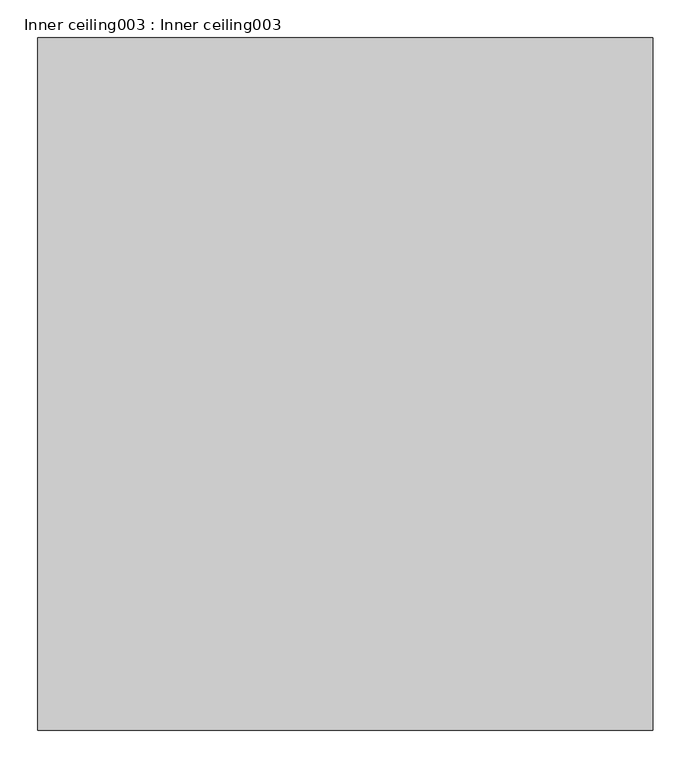
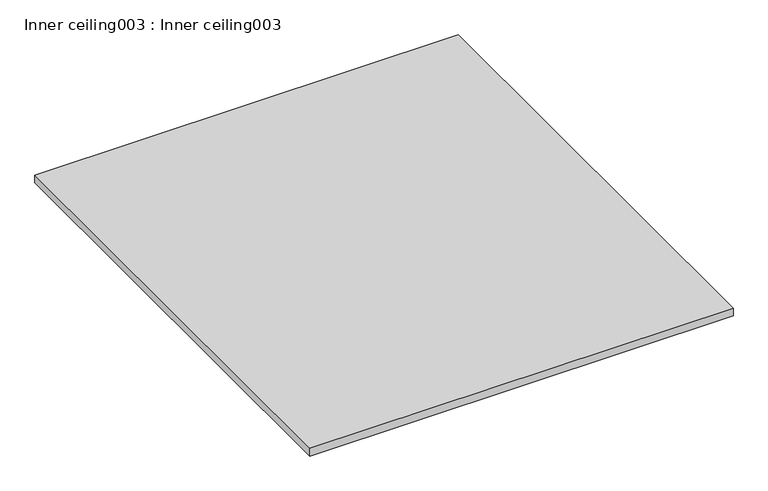
"""IFC4 building model written with IfcOpenShell, lengths in millimetres: proxy geometry, Inner ceiling003 : Inner ceiling003."""

from ifc_helpers import new_model, si_unit, frame, origin, place, context, project, spatial, polyline, outline, extrude, source, transform, mapped, element, save


def inner_ceiling003_inner_ceiling003_f5ffd27b(model_context):
    return source(origin(), model_context, "Body", "SweptSolid", [
        extrude(outline(polyline([(37313.1431336, -19576.8264268), (36500.3431336, -19576.8264268), (36500.3431336, -18662.4264268), (37313.1431336, -18662.4264268), (37313.1431336, -19576.8264268)])), frame((0.0, 0.0, 2959.1), z_axis=(0.0, 0.0, 1.0), x_axis=(1.0, 0.0, 0.0)), (0.0, 0.0, 1.0), 15.875),
    ])


if __name__ == "__main__":
    model = new_model("IFC4")
    model_context = context("Model", 3, world=origin())
    ifc_project = project(units=[si_unit("LENGTHUNIT", "METRE", prefix="MILLI")], contexts=[model_context])
    site = spatial("IfcSite", under=ifc_project)
    building = spatial("IfcBuilding", under=site)
    placement = place(None, origin())
    inner_ceiling003_inner_ceiling003_shape = inner_ceiling003_inner_ceiling003_f5ffd27b(model_context)
    element("IfcBuildingElementProxy", 1, Name="Inner ceiling003 : Inner ceiling003", ObjectType="Inner ceiling003 : Inner ceiling003", at=placement, inside=building, context=model_context, shape_type="MappedRepresentation", body=[
        mapped(inner_ceiling003_inner_ceiling003_shape, transform((0.0, 0.0, 0.0), x_axis=(1.0, 0.0, 0.0), y_axis=(0.0, 1.0, 0.0), z_axis=(0.0, 0.0, 1.0))),
    ])
    save(model, "model.ifc")
